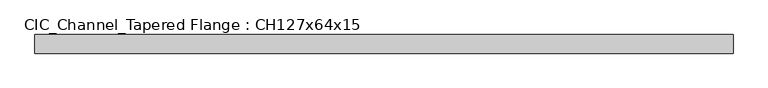
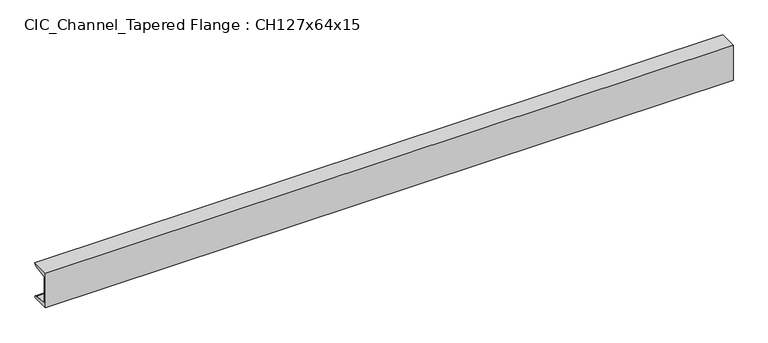
"""IFC4 building model written with IfcOpenShell, lengths in millimetres: beam geometry, CIC_Channel_Tapered Flange : CH127x64x15."""

import ifcopenshell
import ifcopenshell.guid

model = None  # the IFC model being written
_history = None  # IfcOwnerHistory: only IFC2X3 demands one
_inside = {}  # id of a spatial element -> (the spatial element, [elements in it])
_under = {}  # id of a project, library or spatial element -> (it, [spatial elements below it])
_declared = {}  # id of a project -> (the project, [libraries it declares])
_typed = {}  # id of a type object -> (the type object, [elements of that type])
_made_of = {}  # id of a material, layer set ... -> (it, [elements and type objects made of it])


def new_model(schema):
    """Start an empty IFC model of exactly this schema.

    Asked for "IFC4X3", IfcOpenShell would pick the latest addendum, in which some entities
    have other attributes; the version numbers below select the first issue.
    IFC2X3 requires an IfcOwnerHistory on every rooted entity: one is made here for all.
    """
    global model, _history
    if schema == "IFC4X3":
        model = ifcopenshell.file(schema_version=(4, 3, 0, 0))
    else:
        model = ifcopenshell.file(schema=schema)
    _inside.clear()
    _under.clear()
    _declared.clear()
    _typed.clear()
    _made_of.clear()
    _history = None
    if model.schema == "IFC2X3":
        org = make("IfcOrganization", Name="unknown")
        user = make(
            "IfcPersonAndOrganization",
            ThePerson=make("IfcPerson", FamilyName="unknown"),
            TheOrganization=org,
        )
        app = make(
            "IfcApplication",
            ApplicationDeveloper=org,
            Version="unknown",
            ApplicationFullName="unknown",
            ApplicationIdentifier="unknown",
        )
        _history = make(
            "IfcOwnerHistory",
            OwningUser=user,
            OwningApplication=app,
            ChangeAction="ADDED",
            CreationDate=0,
        )
    return model


def make(cls, **values):
    """One entity of the class cls with the attributes given. An attribute that is None is left unset."""
    return model.create_entity(
        cls, **{name: value for name, value in values.items() if value is not None}
    )


def rooted(cls, **values):
    """An entity with a GlobalId (a new one), such as an element, a storey or a relation."""
    return make(cls, GlobalId=ifcopenshell.guid.new(), OwnerHistory=_history, **values)


def si_unit(unit_type, name, prefix=None):
    """IfcSIUnit, for example si_unit("LENGTHUNIT", "METRE", prefix="MILLI")."""
    return make("IfcSIUnit", UnitType=unit_type, Prefix=prefix, Name=name)


def assignment(units):
    """IfcUnitAssignment: the units of a project."""
    return None if units is None else make("IfcUnitAssignment", Units=units)


def point(xyz):
    """IfcCartesianPoint."""
    return None if xyz is None else make("IfcCartesianPoint", Coordinates=xyz)


def direction(xyz):
    """IfcDirection."""
    return None if xyz is None else make("IfcDirection", DirectionRatios=xyz)


def frame(location, z_axis=None, x_axis=None):
    """IfcAxis2Placement3D, a coordinate frame: its origin and axes. An axis left out is left unset."""
    return make(
        "IfcAxis2Placement3D",
        Location=point(location),
        Axis=direction(z_axis),
        RefDirection=direction(x_axis),
    )


def frame_2d(location, x_axis=None):
    """IfcAxis2Placement2D, a coordinate frame in the plane: its origin and x axis."""
    return make(
        "IfcAxis2Placement2D", Location=point(location), RefDirection=direction(x_axis)
    )


def origin():
    """The frame at (0, 0, 0) with its axes left unset."""
    return frame((0.0, 0.0, 0.0))


def place(relative_to, where):
    """IfcLocalPlacement: puts the frame where relative to a parent placement (None: the world)."""
    return make(
        "IfcLocalPlacement", PlacementRelTo=relative_to, RelativePlacement=where
    )


def context(
    kind, dimensions, precision=None, world=None, true_north=None, identifier=None
):
    """IfcGeometricRepresentationContext, for example the 3D "Model" context."""
    return make(
        "IfcGeometricRepresentationContext",
        ContextIdentifier=identifier,
        ContextType=kind,
        CoordinateSpaceDimension=dimensions,
        Precision=precision,
        WorldCoordinateSystem=world,
        TrueNorth=true_north,
    )


def project(units=None, contexts=None):
    """IfcProject with its units and contexts."""
    return rooted(
        "IfcProject",
        Name="project",
        RepresentationContexts=contexts,
        UnitsInContext=assignment(units),
    )


def spatial(cls, under=None, at=None, **own):
    """A site, building, storey or space (cls), placed at a placement, below another one or the project."""
    s = rooted(cls, ObjectPlacement=at, **own)
    if under is not None:
        _under.setdefault(under.id(), (under, []))[1].append(s)
    return s


def polyline(points):
    """IfcPolyline through the points."""
    return make("IfcPolyline", Points=[point(p) for p in points])


def circle_curve(where, radius):
    """IfcCircle in the frame where."""
    return make("IfcCircle", Position=where, Radius=radius)


def trimmed(basis, trim1, trim2, sense, master):
    """IfcTrimmedCurve: the piece of a basis curve between two trims."""
    return make(
        "IfcTrimmedCurve",
        BasisCurve=basis,
        Trim1=trim1,
        Trim2=trim2,
        SenseAgreement=sense,
        MasterRepresentation=master,
    )


def segment(curve, same_sense, transition):
    """IfcCompositeCurveSegment."""
    return make(
        "IfcCompositeCurveSegment",
        Transition=transition,
        SameSense=same_sense,
        ParentCurve=curve,
    )


def composite_curve(segments, self_intersect=None):
    """IfcCompositeCurve: segments joined end to end."""
    return make("IfcCompositeCurve", Segments=segments, SelfIntersect=self_intersect)


def outline(outer, holes=None, kind="AREA"):
    """IfcArbitraryClosedProfileDef: a profile drawn as a closed curve; with holes, ...WithVoids."""
    if holes is None:
        return make("IfcArbitraryClosedProfileDef", ProfileType=kind, OuterCurve=outer)
    return make(
        "IfcArbitraryProfileDefWithVoids",
        ProfileType=kind,
        OuterCurve=outer,
        InnerCurves=holes,
    )


def extrude(swept, where, along, depth):
    """IfcExtrudedAreaSolid: the profile swept, set in the frame where, extruded along a direction by depth."""
    return make(
        "IfcExtrudedAreaSolid",
        SweptArea=swept,
        Position=where,
        ExtrudedDirection=direction(along),
        Depth=depth,
    )


def shape(context_of_items, identifier, shape_type, items):
    """IfcShapeRepresentation: the items that make up one representation, for example the "Body"."""
    return make(
        "IfcShapeRepresentation",
        ContextOfItems=context_of_items,
        RepresentationIdentifier=identifier,
        RepresentationType=shape_type,
        Items=items,
    )


def source(mapping_origin, context_of_items, identifier, shape_type, items):
    """IfcRepresentationMap: a shape defined once, which mapped items show again and again."""
    return make(
        "IfcRepresentationMap",
        MappingOrigin=mapping_origin,
        MappedRepresentation=shape(context_of_items, identifier, shape_type, items),
    )


def transform(
    local_origin,
    x_axis=None,
    y_axis=None,
    z_axis=None,
    scale=None,
    scale2=None,
    scale3=None,
    uniform=True,
):
    """IfcCartesianTransformationOperator3D, or its non-uniform kind. x_axis, y_axis, z_axis: its Axis1, 2, 3."""
    if uniform:
        return make(
            "IfcCartesianTransformationOperator3D",
            Axis1=direction(x_axis),
            Axis2=direction(y_axis),
            LocalOrigin=point(local_origin),
            Scale=scale,
            Axis3=direction(z_axis),
        )
    return make(
        "IfcCartesianTransformationOperator3DnonUniform",
        Axis1=direction(x_axis),
        Axis2=direction(y_axis),
        LocalOrigin=point(local_origin),
        Scale=scale,
        Axis3=direction(z_axis),
        Scale2=scale2,
        Scale3=scale3,
    )


def mapped(mapping_source, mapping_target):
    """IfcMappedItem: shows the shape of a source again, moved by a transform."""
    return make(
        "IfcMappedItem", MappingSource=mapping_source, MappingTarget=mapping_target
    )


def made_of(thing, what):
    """Note that an element or type object is made of a material, layer set ...; save() writes the relation."""
    if what is not None:
        _made_of.setdefault(what.id(), (what, []))[1].append(thing)
    return thing


def element(
    cls,
    number,
    at=None,
    inside=None,
    cuts=None,
    type_object=None,
    material=None,
    context=None,
    identifier="Body",
    shape_type=None,
    held_by="IfcProductDefinitionShape",
    body=None,
    shapes=None,
    **own,
):
    """One element of the class cls, such as IfcWall. Its Tag is "e" and its number.

    at: its placement. inside: the storey or other place that contains it. cuts: it is an
    opening in that element (IfcRelVoidsElement). A single representation is given by context,
    identifier, shape_type and body (its items); several are given by shapes. held_by: the class
    of the entity that holds the representations. save() writes the other relations.
    """
    e = rooted(cls, Tag="e%d" % number, ObjectPlacement=at, **own)
    if body is not None:
        shapes = [shape(context, identifier, shape_type, body)]
    if shapes is not None:
        e.Representation = make(held_by, Representations=shapes)
    if inside is not None:
        _inside.setdefault(inside.id(), (inside, []))[1].append(e)
    if cuts is not None:
        rooted(
            "IfcRelVoidsElement", RelatingBuildingElement=cuts, RelatedOpeningElement=e
        )
    if type_object is not None:
        _typed.setdefault(type_object.id(), (type_object, []))[1].append(e)
    return made_of(e, material)


def aggregate(whole, parts):
    """IfcRelAggregates: a whole, such as a stair, and the parts it consists of."""
    return rooted("IfcRelAggregates", RelatingObject=whole, RelatedObjects=parts)


def save(model, path):
    """Write the relations noted so far, then the file.

    IfcRelAggregates (storeys below a building ...), IfcRelContainedInSpatialStructure (elements
    in a storey), IfcRelDefinesByType, IfcRelAssociatesMaterial and IfcRelDeclares: one each for
    every whole, place, type object, material and project.
    """
    for whole, parts in _under.values():
        aggregate(whole, parts)
    for where, things in _inside.values():
        rooted(
            "IfcRelContainedInSpatialStructure",
            RelatedElements=things,
            RelatingStructure=where,
        )
    for kind, things in _typed.values():
        rooted("IfcRelDefinesByType", RelatedObjects=things, RelatingType=kind)
    for what, things in _made_of.values():
        rooted("IfcRelAssociatesMaterial", RelatedObjects=things, RelatingMaterial=what)
    for by, libraries in _declared.values():
        rooted("IfcRelDeclares", RelatingContext=by, RelatedDefinitions=libraries)
    model.write(path)


def cic_channel_tapered_flange_ch127x64x15_b8e88dfd(model_context):
    return source(origin(), model_context, "Body", "SweptSolid", [
        extrude(outline(composite_curve([segment(polyline([(-19.4, 63.5), (44.1, 63.5)]), True, "CONTINUOUS"), segment(trimmed(circle_curve(frame_2d((34.9, 63.5)), 9.2), [point((44.1, 63.5))], [point((34.9, 54.3))], False, "CARTESIAN"), True, "CONTINUOUS"), segment(polyline([(34.9, 54.3), (-13.0, 46.7133853), (-13.0, -46.7133853), (34.9, -54.3)]), True, "CONTINUOUS"), segment(trimmed(circle_curve(frame_2d((34.9, -63.5)), 9.2), [point((34.9, -54.3))], [point((44.1, -63.5))], False, "CARTESIAN"), True, "CONTINUOUS"), segment(polyline([(44.1, -63.5), (-19.4, -63.5), (-19.4, 63.5)]), True, "CONTINUOUS")], self_intersect=False)), frame((-1198.55, 0.0, 0.0), z_axis=(1.0, 0.0, 0.0), x_axis=(0.0, 1.0, 0.0)), (0.0, 0.0, 1.0), 2384.4),
    ])


if __name__ == "__main__":
    model = new_model("IFC4")
    model_context = context("Model", 3, world=origin())
    ifc_project = project(units=[si_unit("LENGTHUNIT", "METRE", prefix="MILLI")], contexts=[model_context])
    site = spatial("IfcSite", under=ifc_project)
    building = spatial("IfcBuilding", under=site)
    placement = place(None, origin())
    cic_channel_tapered_flange_ch127x64x15_shape = cic_channel_tapered_flange_ch127x64x15_b8e88dfd(model_context)
    element("IfcBeam", 1, ObjectType="CIC_Channel_Tapered Flange : CH127x64x15", at=placement, inside=building, context=model_context, shape_type="MappedRepresentation", body=[
        mapped(cic_channel_tapered_flange_ch127x64x15_shape, transform((0.0, 0.0, 0.0), x_axis=(1.0, 0.0, 0.0), y_axis=(0.0, 1.0, 0.0), z_axis=(0.0, 0.0, 1.0))),
    ])
    save(model, "model.ifc")
